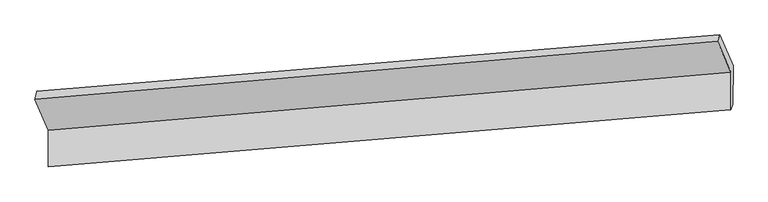
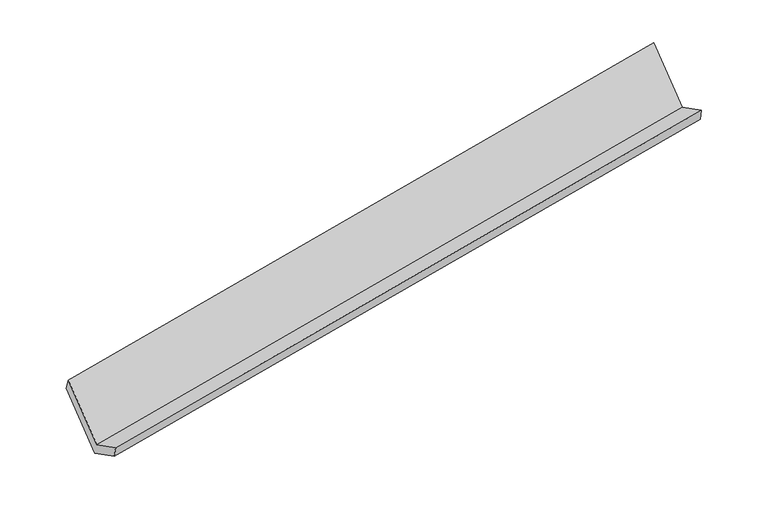
"""IFC4 building model written with IfcOpenShell, lengths in millimetres: proxy geometry."""

from ifc_helpers import new_model, si_unit, frame, origin, place, context, project, spatial, source, transform, mapped, element, save
from ifc_brep_helpers import plane_surface, spline_surface, advanced_brep


def generic_models_03d254c7(model_context):
    return source(origin(), model_context, "Body", "AdvancedBrep", [
        advanced_brep(
        [(-6070.3548724, -1794.0242699, 1167.6532989), (-6072.0839481, -2140.7284985, 1344.0427907), (413.268839, -1599.9269712, 2503.6743681), (415.0423641, -1244.3100099, 2322.7504281), (-6052.2366488, -2084.8161509, 1205.0760836), (433.1161383, -1544.0146235, 2364.707661), (-6050.4294858, -1722.454312, 1020.7206147), (434.9233013, -1181.6527846, 2180.3521922), (-6179.5594271, -1423.7899893, 1606.4976195), (307.7204373, -887.4455942, 2757.3873239), (-6198.5175482, -1497.5971332, 1749.0424609), (286.8796883, -947.8828732, 2904.1395901)],
        [
            (0, 1),
            (1, 2),
            (2, 3),
            (3, 0),
            (1, 4),
            (4, 5),
            (5, 2),
            (4, 6),
            (6, 7),
            (7, 5),
            (6, 8),
            (8, 9),
            (9, 7),
            (8, 10),
            (10, 11),
            (11, 9),
            (10, 0),
            (3, 11),
        ],
        [
            plane_surface(frame((-6071.2194102, -1967.3763842, 1255.8480448), z_axis=(-0.19344987685449683, 0.4456499454010963, 0.8740556454305298), x_axis=(-0.0044449385372831865, -0.8912732651839578, 0.4534448249674114))),
            plane_surface(frame((-6062.1602985, -2112.7723247, 1274.5594371), z_axis=(0.14015388273913854, -0.9253382100790337, -0.35228693719874704), x_axis=(0.1313502345109628, 0.3700301921698949, -0.9196873233749749))),
            plane_surface(frame((-6051.3330673, -1903.6352314, 1112.8983492), z_axis=(0.19344987685449958, -0.4456499454010957, -0.8740556454305295), x_axis=(0.004444938537283376, 0.8912732651839579, -0.45344482496741095))),
            plane_surface(frame((-6114.9944565, -1573.1221506, 1313.6091171), z_axis=(0.006671533574811581, 0.8914604379004774, -0.4530494214741361), x_axis=(-0.19270772812195597, 0.44571322882918646, 0.8741873078286687))),
            spline_surface(1, 1, [[(-6179.5594271, -1423.7899893, 1606.4976195), (307.7204373, -887.4455942, 2757.3873239)], [(-6198.5175482, -1497.5971332, 1749.0424609), (286.8796883, -947.8828732, 2904.1395901)]], [2, 2], [2, 2], [0.0, 1.0], [0.0, 1.0]),
            plane_surface(frame((-6134.4362103, -1645.8107015, 1458.3478799), z_axis=(-0.005187141124695455, -0.8913361661506617, 0.45331328292781436), x_axis=(0.19270772812195974, -0.44571322882917724, -0.8741873078286726))),
            plane_surface(frame((381.825128, -1234.2054761, 2505.5019272), z_axis=(0.981246133262941, 0.08349661319482063, 0.17373641397680933), x_axis=(-0.13019562565753065, -0.3775617346336939, 0.9167858177350041))),
            plane_surface(frame((-6103.8636551, -1777.235059, 1348.8388114), z_axis=(-0.9812461332629405, -0.08349661319471766, -0.1737364139768617), x_axis=(-0.19270772812195974, 0.44571322882917724, 0.8741873078286726))),
        ],
        [
            (0, [[1, 2, 3, 4]]),
            (1, [[5, 6, 7, -2]]),
            (2, [[8, 9, 10, -6]]),
            (3, [[11, 12, 13, -9]]),
            (4, [[14, 15, 16, -12]]),
            (5, [[17, -4, 18, -15]]),
            (6, [[-16, -18, -3, -7, -10, -13]]),
            (7, [[-17, -14, -11, -8, -5, -1]]),
        ],
    ),
    ])


if __name__ == "__main__":
    model = new_model("IFC4")
    model_context = context("Model", 3, world=origin())
    ifc_project = project(units=[si_unit("LENGTHUNIT", "METRE", prefix="MILLI")], contexts=[model_context])
    site = spatial("IfcSite", under=ifc_project)
    building = spatial("IfcBuilding", under=site)
    placement = place(None, origin())
    generic_models_shape = generic_models_03d254c7(model_context)
    element("IfcBuildingElementProxy", 1, Name="Generic Models", at=placement, inside=building, context=model_context, shape_type="MappedRepresentation", body=[
        mapped(generic_models_shape, transform((0.0, 0.0, 0.0), x_axis=(1.0, 0.0, 0.0), y_axis=(0.0, 1.0, 0.0), z_axis=(0.0, 0.0, 1.0))),
    ])
    save(model, "model.ifc")
